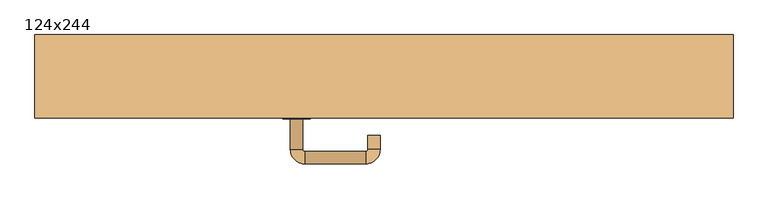
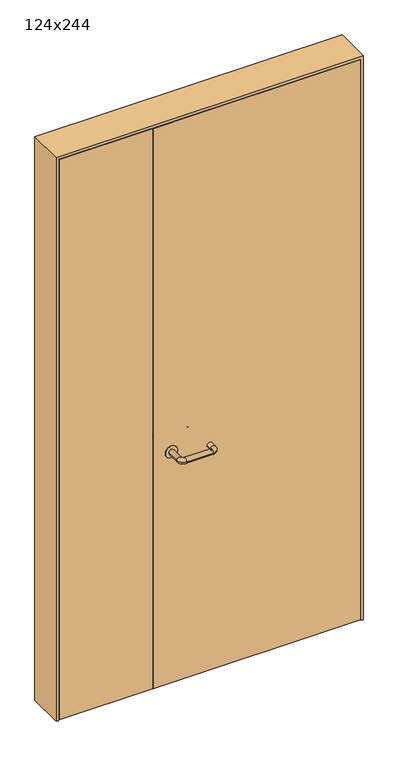
"""IFC4 building model written with IfcOpenShell, lengths in millimetres: door geometry, 124x244."""

from ifc_helpers import new_model, si_unit, point, frame, frame_2d, origin, place, context, project, spatial, polyline, circle_curve, ellipse_curve, trimmed, segment, composite_curve, outline, extrude, faceted_brep, source, transform, mapped, element, save
from ifc_brep_helpers import plane_surface, cylinder_surface, revolved_surface, advanced_brep


def door_124x244_881d0e47(model_context):
    return source(origin(), model_context, "Body", "SolidModel", [
        faceted_brep([(599.0, -75.0, 0.0), (620.0, -75.0, 0.0), (620.0, -178.0, 0.0), (599.0, -178.0, 0.0), (599.0, -178.0, 2409.0), (599.0, -75.0, 2409.0), (620.0, -178.0, 2430.0), (620.0, -75.0, 2430.0), (-599.0, -75.0, 0.0), (-599.0, -178.0, 0.0), (-620.0, -178.0, 0.0), (-620.0, -75.0, 0.0), (-599.0, -75.0, 2409.0), (-620.0, -75.0, 2430.0), (-620.0, -178.0, 2430.0), (-599.0, -178.0, 2409.0)], [[[0, 1, 2, 3]], [[3, 4, 5, 0]], [[2, 6, 4, 3]], [[1, 7, 6, 2]], [[0, 5, 7, 1]], [[8, 9, 10, 11]], [[12, 8, 11, 13]], [[13, 11, 10, 14]], [[14, 10, 9, 15]], [[15, 9, 8, 12]], [[4, 15, 12, 5]], [[6, 14, 15, 4]], [[7, 13, 14, 6]], [[5, 12, 13, 7]]]),
        extrude(outline(polyline([(2440.0, -630.0), (0.0, -630.0), (0.0, -620.0), (2430.0, -620.0), (2430.0, 620.0), (0.0, 620.0), (0.0, 630.0), (2440.0, 630.0), (2440.0, -630.0)])), frame((0.0, -225.0, 0.0), z_axis=(0.0, 1.0, 0.0), x_axis=(0.0, 0.0, 1.0)), (0.0, 0.0, 1.0), 150.0),
        advanced_brep(
        [(-169.0, -170.8874183, 1003.0), (-147.0, -170.8874183, 1003.0), (-169.0, -116.0031939, 1003.0), (-147.0, -116.0031939, 1003.0), (-143.0, -90.0031939, 1003.0), (-143.0, -112.0031939, 1003.0), (-33.0, -90.0031939, 1003.0), (-33.0, -112.0031939, 1003.0), (-7.0, -116.0031939, 1003.0), (-29.0, -116.0031939, 1003.0), (-7.0, -150.0, 1003.0), (-29.0, -150.0, 1003.0)],
        [
            (0, 1, circle_curve(frame((-158.0, -170.8874183, 1003.0), z_axis=(0.0, -1.0, 0.0), x_axis=(1.0, 0.0, 0.0)), 11.0)),
            (1, 0, circle_curve(frame((-158.0, -170.8874183, 1003.0), z_axis=(0.0, -1.0, 0.0), x_axis=(1.0, 0.0, 0.0)), 11.0)),
            (0, 2),
            (2, 3, circle_curve(frame((-158.0, -116.0031939, 1003.0), z_axis=(0.0, -1.0, 0.0), x_axis=(1.0, 0.0, 0.0)), 11.0)),
            (3, 1),
            (4, 5, circle_curve(frame((-143.0, -101.0031939, 1003.0), z_axis=(-1.0, 0.0, 0.0), x_axis=(0.0, -1.0, 0.0)), 11.0)),
            (5, 3, circle_curve(frame((-143.0, -116.0031939, 1003.0), z_axis=(0.0, 0.0, 1.0), x_axis=(-1.0, 0.0, 0.0)), 4.0)),
            (2, 4, circle_curve(frame((-143.0, -116.0031939, 1003.0), z_axis=(0.0, 0.0, -1.0), x_axis=(-1.0, 0.0, 0.0)), 26.0)),
            (4, 6),
            (6, 7, circle_curve(frame((-33.0, -101.0031939, 1003.0), z_axis=(-1.0, 0.0, 0.0), x_axis=(0.0, -1.0, 0.0)), 11.0)),
            (7, 5),
            (8, 9, circle_curve(frame((-18.0, -116.0031939, 1003.0), z_axis=(0.0, 1.0, 0.0), x_axis=(-1.0, 0.0, 0.0)), 11.0)),
            (9, 7, circle_curve(frame((-33.0, -116.0031939, 1003.0), z_axis=(0.0, 0.0, 1.0), x_axis=(0.0, 1.0, 0.0)), 4.0)),
            (6, 8, circle_curve(frame((-33.0, -116.0031939, 1003.0), z_axis=(0.0, 0.0, -1.0), x_axis=(0.0, 1.0, 0.0)), 26.0)),
            (8, 10),
            (10, 11, circle_curve(frame((-18.0, -150.0, 1003.0), z_axis=(0.0, 1.0, 0.0), x_axis=(-1.0, 0.0, 0.0)), 11.0)),
            (11, 9),
            (10, 11, circle_curve(frame((-18.0, -150.0, 1003.0), z_axis=(0.0, -1.0, 0.0), x_axis=(-1.0, 0.0, 0.0)), 11.0)),
            (3, 2, circle_curve(frame((-158.0, -116.0031939, 1003.0), z_axis=(0.0, -1.0, 0.0), x_axis=(1.0, 0.0, 0.0)), 11.0)),
            (5, 4, circle_curve(frame((-143.0, -101.0031939, 1003.0), z_axis=(-1.0, 0.0, 0.0), x_axis=(0.0, -1.0, 0.0)), 11.0)),
            (7, 6, circle_curve(frame((-33.0, -101.0031939, 1003.0), z_axis=(-1.0, 0.0, 0.0), x_axis=(0.0, -1.0, 0.0)), 11.0)),
            (9, 8, circle_curve(frame((-18.0, -116.0031939, 1003.0), z_axis=(0.0, 1.0, 0.0), x_axis=(-1.0, 0.0, 0.0)), 11.0)),
        ],
        [
            plane_surface(frame((-169.0, -170.8874183, 1003.0), z_axis=(0.0, -1.0, 0.0), x_axis=(0.0, 0.0, -1.0))),
            cylinder_surface(frame((-158.0, -170.8874183, 1003.0), z_axis=(0.0, -1.0, 0.0), x_axis=(1.0, 0.0, 0.0)), 11.0),
            revolved_surface(trimmed(ellipse_curve(frame((-158.0, -116.0031939, 1003.0), z_axis=(0.0, 1.0, 0.0), x_axis=(1.0, 0.0, 0.0)), 11.0, 11.0), [point((-147.0, -116.0031939, 1003.0))], [point((-169.0, -116.0031939, 1003.0))], True, "CARTESIAN"), (-143.0, -116.0031939, 1003.0), (0.0, 0.0, 1.0)),
            cylinder_surface(frame((-143.0, -101.0031939, 1003.0), z_axis=(-1.0, 0.0, 0.0), x_axis=(0.0, -1.0, 0.0)), 11.0),
            revolved_surface(trimmed(ellipse_curve(frame((-33.0, -101.0031939, 1003.0), z_axis=(1.0, 0.0, 0.0), x_axis=(0.0, -1.0, 0.0)), 11.0, 11.0), [point((-33.0, -112.0031939, 1003.0))], [point((-33.0, -90.0031939, 1003.0))], True, "CARTESIAN"), (-33.0, -116.0031939, 1003.0), (0.0, 0.0, 1.0)),
            cylinder_surface(frame((-18.0, -116.0031939, 1003.0), z_axis=(0.0, 1.0, 0.0), x_axis=(-1.0, 0.0, 0.0)), 11.0),
            plane_surface(frame((-29.0, -150.0, 1003.0), z_axis=(0.0, -1.0, 0.0), x_axis=(0.0, 0.0, 1.0))),
            revolved_surface(trimmed(ellipse_curve(frame((-158.0, -116.0031939, 1003.0), z_axis=(0.0, 1.0, 0.0), x_axis=(1.0, 0.0, 0.0)), 11.0, 11.0), [point((-169.0, -116.0031939, 1003.0))], [point((-147.0, -116.0031939, 1003.0))], True, "CARTESIAN"), (-143.0, -116.0031939, 1003.0), (0.0, 0.0, 1.0)),
            revolved_surface(trimmed(ellipse_curve(frame((-33.0, -101.0031939, 1003.0), z_axis=(1.0, 0.0, 0.0), x_axis=(0.0, -1.0, 0.0)), 11.0, 11.0), [point((-33.0, -90.0031939, 1003.0))], [point((-33.0, -112.0031939, 1003.0))], True, "CARTESIAN"), (-33.0, -116.0031939, 1003.0), (0.0, 0.0, 1.0)),
        ],
        [
            (0, [[1, 2]]),
            (1, [[3, 4, 5, -1]]),
            (2, [[6, 7, -4, 8]]),
            (3, [[9, 10, 11, -6]]),
            (4, [[12, 13, -10, 14]]),
            (5, [[15, 16, 17, -12]]),
            (6, [[18, -16]]),
            (1, [[-5, 19, -3, -2]]),
            (7, [[20, -8, -19, -7]]),
            (3, [[-11, 21, -9, -20]]),
            (8, [[22, -14, -21, -13]]),
            (5, [[-17, -18, -15, -22]]),
        ],
    ),
        extrude(outline(polyline([(-234.99898, -181.0), (-234.99898, -225.0), (-617.0, -225.0), (-617.0, -181.0), (-234.99898, -181.0)])), frame((0.0, 0.0, 3.0), z_axis=(0.0, 0.0, 1.0), x_axis=(1.0, 0.0, 0.0)), (0.0, 0.0, 1.0), 2424.0),
        extrude(outline(polyline([(617.0, -181.0), (617.0, -225.0), (-233.0, -225.0), (-233.0, -181.0), (617.0, -181.0)])), frame((0.0, 0.0, 3.0), z_axis=(0.0, 0.0, 1.0), x_axis=(1.0, 0.0, 0.0)), (0.0, 0.0, 1.0), 2424.0),
        extrude(outline(composite_curve([segment(trimmed(circle_curve(frame_2d((1003.0, -158.0)), 25.0), [point((1003.0, -183.0))], [point((1003.0, -133.0))], False, "CARTESIAN"), True, "CONTINUOUS"), segment(trimmed(circle_curve(frame_2d((1003.0, -158.0)), 25.0), [point((1003.0, -133.0))], [point((1003.0, -183.0))], False, "CARTESIAN"), True, "CONTINUOUS")], self_intersect=False)), frame((0.0, -181.0, 0.0), z_axis=(0.0, 1.0, 0.0), x_axis=(0.0, 0.0, 1.0)), (0.0, 0.0, 1.0), 10.1125817),
        advanced_brep(
        [(-147.0, -227.0, 1003.0), (-169.0, -227.0, 1003.0), (-147.0, -282.0, 1003.0), (-169.0, -282.0, 1003.0), (-143.0, -286.0, 1003.0), (-143.0, -308.0, 1003.0), (-33.0, -286.0, 1003.0), (-33.0, -308.0, 1003.0), (-29.0, -282.0, 1003.0), (-7.0, -282.0, 1003.0), (-29.0, -257.0, 1003.0), (-7.0, -257.0, 1003.0)],
        [
            (0, 1, circle_curve(frame((-158.0, -227.0, 1003.0), z_axis=(0.0, 1.0, 0.0), x_axis=(-1.0, 0.0, 0.0)), 11.0)),
            (1, 0, circle_curve(frame((-158.0, -227.0, 1003.0), z_axis=(0.0, 1.0, 0.0), x_axis=(-1.0, 0.0, 0.0)), 11.0)),
            (0, 2),
            (2, 3, circle_curve(frame((-158.0, -282.0, 1003.0), z_axis=(0.0, 1.0, 0.0), x_axis=(-1.0, 0.0, 0.0)), 11.0)),
            (3, 1),
            (4, 5, circle_curve(frame((-143.0, -297.0, 1003.0), z_axis=(-1.0, 0.0, 0.0), x_axis=(0.0, -1.0, 0.0)), 11.0)),
            (5, 3, circle_curve(frame((-143.0, -282.0, 1003.0), z_axis=(0.0, 0.0, -1.0), x_axis=(-1.0, 0.0, 0.0)), 26.0)),
            (2, 4, circle_curve(frame((-143.0, -282.0, 1003.0), z_axis=(0.0, 0.0, 1.0), x_axis=(-1.0, 0.0, 0.0)), 4.0)),
            (4, 6),
            (6, 7, circle_curve(frame((-33.0, -297.0, 1003.0), z_axis=(-1.0, 0.0, 0.0), x_axis=(0.0, -1.0, 0.0)), 11.0)),
            (7, 5),
            (8, 9, circle_curve(frame((-18.0, -282.0, 1003.0), z_axis=(0.0, -1.0, 0.0), x_axis=(1.0, 0.0, 0.0)), 11.0)),
            (9, 7, circle_curve(frame((-33.0, -282.0, 1003.0), z_axis=(0.0, 0.0, -1.0), x_axis=(0.0, -1.0, 0.0)), 26.0)),
            (6, 8, circle_curve(frame((-33.0, -282.0, 1003.0), z_axis=(0.0, 0.0, 1.0), x_axis=(0.0, -1.0, 0.0)), 4.0)),
            (8, 10),
            (10, 11, circle_curve(frame((-18.0, -257.0, 1003.0), z_axis=(0.0, -1.0, 0.0), x_axis=(1.0, 0.0, 0.0)), 11.0)),
            (11, 9),
            (10, 11, circle_curve(frame((-18.0, -257.0, 1003.0), z_axis=(0.0, 1.0, 0.0), x_axis=(1.0, 0.0, 0.0)), 11.0)),
            (3, 2, circle_curve(frame((-158.0, -282.0, 1003.0), z_axis=(0.0, 1.0, 0.0), x_axis=(-1.0, 0.0, 0.0)), 11.0)),
            (5, 4, circle_curve(frame((-143.0, -297.0, 1003.0), z_axis=(-1.0, 0.0, 0.0), x_axis=(0.0, -1.0, 0.0)), 11.0)),
            (7, 6, circle_curve(frame((-33.0, -297.0, 1003.0), z_axis=(-1.0, 0.0, 0.0), x_axis=(0.0, -1.0, 0.0)), 11.0)),
            (9, 8, circle_curve(frame((-18.0, -282.0, 1003.0), z_axis=(0.0, -1.0, 0.0), x_axis=(1.0, 0.0, 0.0)), 11.0)),
        ],
        [
            plane_surface(frame((-169.0, -227.0, 1003.0), z_axis=(0.0, 1.0, 0.0), x_axis=(0.0, 0.0, 1.0))),
            cylinder_surface(frame((-158.0, -227.0, 1003.0), z_axis=(0.0, 1.0, 0.0), x_axis=(-1.0, 0.0, 0.0)), 11.0),
            revolved_surface(trimmed(ellipse_curve(frame((-158.0, -282.0, 1003.0), z_axis=(0.0, -1.0, 0.0), x_axis=(-1.0, 0.0, 0.0)), 11.0, 11.0), [point((-169.0, -282.0, 1003.0))], [point((-147.0, -282.0, 1003.0))], True, "CARTESIAN"), (-143.0, -282.0, 1003.0), (0.0, 0.0, -1.0)),
            cylinder_surface(frame((-143.0, -297.0, 1003.0), z_axis=(-1.0, 0.0, 0.0), x_axis=(0.0, -1.0, 0.0)), 11.0),
            revolved_surface(trimmed(ellipse_curve(frame((-33.0, -297.0, 1003.0), z_axis=(1.0, 0.0, 0.0), x_axis=(0.0, -1.0, 0.0)), 11.0, 11.0), [point((-33.0, -308.0, 1003.0))], [point((-33.0, -286.0, 1003.0))], True, "CARTESIAN"), (-33.0, -282.0, 1003.0), (0.0, 0.0, -1.0)),
            cylinder_surface(frame((-18.0, -282.0, 1003.0), z_axis=(0.0, -1.0, 0.0), x_axis=(1.0, 0.0, 0.0)), 11.0),
            plane_surface(frame((-29.0, -257.0, 1003.0), z_axis=(0.0, 1.0, 0.0), x_axis=(0.0, 0.0, -1.0))),
            revolved_surface(trimmed(ellipse_curve(frame((-158.0, -282.0, 1003.0), z_axis=(0.0, -1.0, 0.0), x_axis=(-1.0, 0.0, 0.0)), 11.0, 11.0), [point((-147.0, -282.0, 1003.0))], [point((-169.0, -282.0, 1003.0))], True, "CARTESIAN"), (-143.0, -282.0, 1003.0), (0.0, 0.0, -1.0)),
            revolved_surface(trimmed(ellipse_curve(frame((-33.0, -297.0, 1003.0), z_axis=(1.0, 0.0, 0.0), x_axis=(0.0, -1.0, 0.0)), 11.0, 11.0), [point((-33.0, -286.0, 1003.0))], [point((-33.0, -308.0, 1003.0))], True, "CARTESIAN"), (-33.0, -282.0, 1003.0), (0.0, 0.0, -1.0)),
        ],
        [
            (0, [[1, 2]]),
            (1, [[3, 4, 5, -1]]),
            (2, [[6, 7, -4, 8]]),
            (3, [[9, 10, 11, -6]]),
            (4, [[12, 13, -10, 14]]),
            (5, [[15, 16, 17, -12]]),
            (6, [[18, -16]]),
            (1, [[-5, 19, -3, -2]]),
            (7, [[20, -8, -19, -7]]),
            (3, [[-11, 21, -9, -20]]),
            (8, [[22, -14, -21, -13]]),
            (5, [[-17, -18, -15, -22]]),
        ],
    ),
        extrude(outline(composite_curve([segment(trimmed(circle_curve(frame_2d((1003.0, -158.0)), 25.0), [point((1003.0, -133.0))], [point((1003.0, -183.0))], False, "CARTESIAN"), True, "CONTINUOUS"), segment(trimmed(circle_curve(frame_2d((1003.0, -158.0)), 25.0), [point((1003.0, -183.0))], [point((1003.0, -133.0))], False, "CARTESIAN"), True, "CONTINUOUS")], self_intersect=False)), frame((0.0, -227.0, 0.0), z_axis=(0.0, 1.0, 0.0), x_axis=(0.0, 0.0, 1.0)), (0.0, 0.0, 1.0), 2.0),
    ])


if __name__ == "__main__":
    model = new_model("IFC4")
    model_context = context("Model", 3, world=origin())
    ifc_project = project(units=[si_unit("LENGTHUNIT", "METRE", prefix="MILLI")], contexts=[model_context])
    site = spatial("IfcSite", under=ifc_project)
    building = spatial("IfcBuilding", under=site)
    placement = place(None, origin())
    door_124x244_shape = door_124x244_881d0e47(model_context)
    element("IfcDoor", 1, ObjectType="124x244", at=placement, inside=building, context=model_context, shape_type="MappedRepresentation", body=[
        mapped(door_124x244_shape, transform((0.0, 0.0, 0.0), x_axis=(1.0, 0.0, 0.0), y_axis=(0.0, 1.0, 0.0), z_axis=(0.0, 0.0, 1.0))),
    ])
    save(model, "model.ifc")
